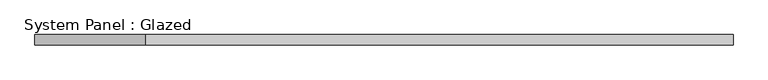
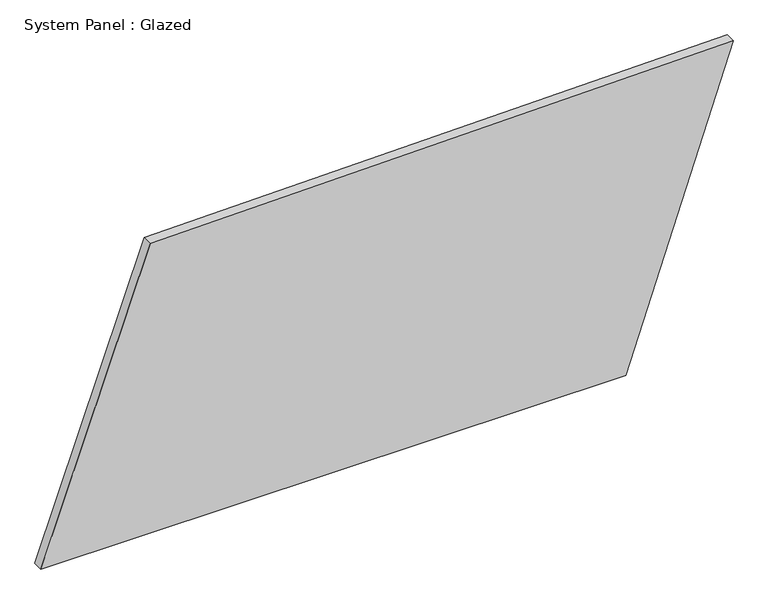
"""IFC4 building model written with IfcOpenShell, lengths in millimetres: plate geometry, System Panel : Glazed."""

from ifc_helpers import new_model, si_unit, frame, origin, place, context, project, spatial, polyline, outline, extrude, source, transform, mapped, element, save


def system_panel_glazed_5a56d934(model_context):
    return source(origin(), model_context, "Body", "SweptSolid", [
        extrude(outline(polyline([(0.0, -840.2963815), (0.0, 580.1424478), (768.6508392, 840.2963815), (743.0497392, -575.1368586), (0.0, -840.2963815)])), frame((0.0, -49.5, 0.0), z_axis=(0.0, 1.0, 0.0), x_axis=(0.0, 0.0, 1.0)), (0.0, 0.0, 1.0), 25.0),
    ])


if __name__ == "__main__":
    model = new_model("IFC4")
    model_context = context("Model", 3, world=origin())
    ifc_project = project(units=[si_unit("LENGTHUNIT", "METRE", prefix="MILLI")], contexts=[model_context])
    site = spatial("IfcSite", under=ifc_project)
    building = spatial("IfcBuilding", under=site)
    placement = place(None, origin())
    system_panel_glazed_shape = system_panel_glazed_5a56d934(model_context)
    element("IfcPlate", 1, ObjectType="System Panel : Glazed", at=placement, inside=building, context=model_context, shape_type="MappedRepresentation", body=[
        mapped(system_panel_glazed_shape, transform((0.0, 0.0, 0.0), x_axis=(1.0, 0.0, 0.0), y_axis=(0.0, 1.0, 0.0), z_axis=(0.0, 0.0, 1.0))),
    ])
    save(model, "model.ifc")
